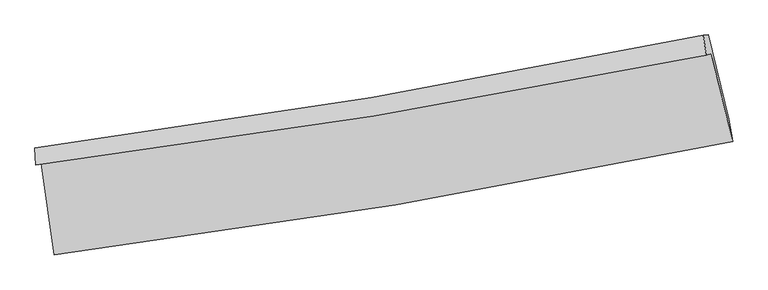
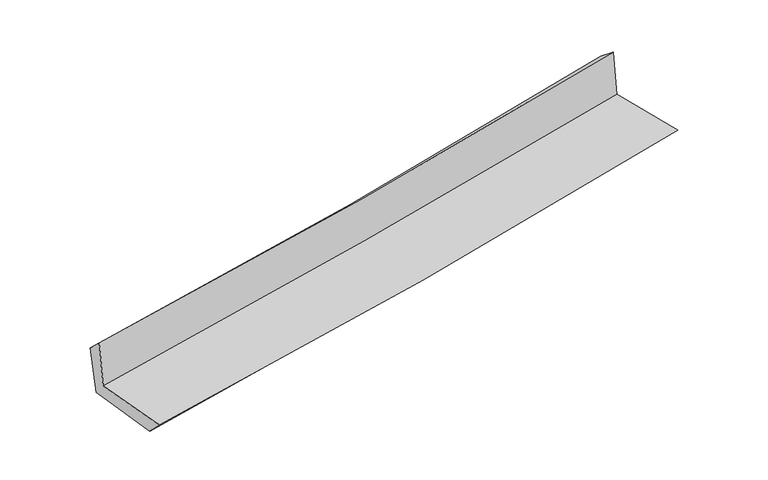
"""IFC4 building model written with IfcOpenShell, lengths in millimetres: proxy geometry."""

from ifc_helpers import new_model, si_unit, frame, origin, place, context, project, spatial, source, transform, mapped, element, save
from ifc_brep_helpers import plane_surface, spline_curve, spline_surface, advanced_brep


def generic_models_509a69a9(model_context):
    return source(origin(), model_context, "Body", "AdvancedBrep", [
        advanced_brep(
        [(-2485.3184845, -1883.8464192, 1653.7055016), (-2388.1109331, -2551.9929109, 1669.5157236), (2570.4088875, -1721.3847073, 2122.156926), (2415.7789753, -1079.3524913, 2114.4022694), (-2523.1682616, -1893.2148337, 2063.8243093), (2378.7630834, -1088.7292192, 2520.6652661), (-2530.4398995, -1769.4346527, 1948.6604393), (2354.8445156, -943.0463108, 2403.4094359), (-2488.481831, -1787.7059926, 1538.2859467), (2393.1972101, -941.5179131, 2002.9644068), (-2394.0655087, -2424.6107867, 1535.0212877), (2542.1718595, -1558.0102272, 2005.2824856)],
        [
            (0, 1),
            (1, 2, spline_curve(3, [(-2388.1109331, -2551.9929109, 1669.5157236), (-1554.218867723, -2447.352115272, 1745.83620287), (-722.55948214, -2325.498438393, 1821.853416037), (930.248027663, -2048.379013761, 1972.729412031), (1751.428582278, -1893.363289384, 2047.592599549), (2570.4088875, -1721.3847073, 2122.156926)], [4, 2, 4], [0.0, 8.263663022873555, 16.467090113521134])),
            (2, 3),
            (3, 0, spline_curve(3, [(2415.7789753, -1079.3524913, 2114.4022694), (1606.247215793, -1244.826933987, 2049.634715394), (794.558467655, -1394.41839446, 1979.021436951), (-839.108892659, -1662.817144027, 1825.542010477), (-1661.119297816, -1781.390325903, 1742.589699618), (-2485.3184845, -1883.8464192, 1653.7055016)], [4, 2, 4], [0.0, 8.20342709064758, 16.467090113521134])),
            (4, 0),
            (3, 5),
            (5, 4, spline_curve(3, [(2378.7630834, -1088.7292192, 2520.6652661), (1570.125169279, -1254.092615173, 2445.433825568), (758.815995789, -1403.627662104, 2369.888437242), (-875.121746238, -1672.0228349, 2217.612745598), (-1697.789687821, -1790.649659797, 2140.877815183), (-2523.1682616, -1893.2148337, 2063.8243093)], [4, 2, 4], [0.0, 8.154736288822683, 16.36935098419258])),
            (6, 4),
            (5, 7),
            (7, 6, spline_curve(3, [(2354.8445156, -943.0463108, 2403.4094359), (1549.64042898, -1110.04292863, 2324.971379002), (741.431563607, -1262.209471553, 2247.989874503), (-886.952286149, -1537.890839851, 2096.385406646), (-1707.171558931, -1661.187077333, 2021.783912624), (-2530.4398995, -1769.4346527, 1948.6604393)], [4, 2, 4], [0.0, 8.144340599488041, 16.34848327229923])),
            (8, 6),
            (7, 9),
            (9, 8, spline_curve(3, [(2393.1972101, -941.5179131, 2002.9644068), (1587.93735916, -1105.245888115, 1919.540422558), (779.998763109, -1257.410060781, 1839.235422344), (-847.188100726, -1539.643198122, 1684.296630385), (-1666.475851742, -1669.541718745, 1609.708810311), (-2488.481831, -1787.7059926, 1538.2859467)], [4, 2, 4], [0.0, 8.133927489456049, 16.327580591094897])),
            (10, 8),
            (9, 11),
            (11, 10, spline_curve(3, [(2542.1718595, -1558.0102272, 2005.2824856), (1727.186432825, -1728.968019242, 1920.852398045), (909.853934825, -1886.448941629, 1839.58067528), (-735.523926556, -2175.514436555, 1682.780389984), (-1563.603884796, -2306.900367557, 1607.298380128), (-2394.0655087, -2424.6107867, 1535.0212877)], [4, 2, 4], [0.0, 8.181424691075183, 16.4229237556723])),
            (1, 10),
            (11, 2),
        ],
        [
            spline_surface(3, 3, [[(-2485.3184845, -1883.8464192, 1653.7055016), (-1661.119297897, -1781.390325857, 1742.589699603), (-839.108892698, -1662.817143919, 1825.542010524), (794.558467693, -1394.418394567, 1979.021436904), (1606.247215779, -1244.826933858, 2049.634715275), (2415.7789753, -1079.3524913, 2114.4022694)], [(-2452.915967378, -2106.561916458, 1658.975575589), (-1625.485821139, -2003.377589015, 1743.671867391), (-800.25908919, -1883.710908757, 1824.312479058), (839.788320973, -1612.405267616, 1976.924095234), (1654.641004627, -1461.005719038, 2048.95401005), (2467.322279378, -1293.363229991, 2116.987154959)], [(-2420.513450222, -2329.277413642, 1664.245649611), (-1589.852344346, -2225.364852097, 1744.754035212), (-761.409285599, -2104.604673598, 1823.082947616), (885.018174334, -1830.392140669, 1974.826753589), (1703.03479344, -1677.184504145, 2048.273304748), (2518.865583422, -1507.373968609, 2119.572040441)], [(-2388.1109331, -2551.9929109, 1669.5157236), (-1554.218867588, -2447.352115255, 1745.836203001), (-722.55948209, -2325.498438436, 1821.85341615), (930.248027614, -2048.379013719, 1972.729411919), (1751.428582288, -1893.363289325, 2047.592599522), (2570.4088875, -1721.3847073, 2122.156926)]], [4, 4], [4, 2, 4], [0.0, 2.1992439196786133], [0.0, 8.263663022873555, 16.467090113521134]),
            spline_surface(3, 3, [[(-2523.1682616, -1893.2148337, 2063.8243093), (-1697.789687754, -1790.649659776, 2140.877815242), (-875.12174625, -1672.022834979, 2217.612745672), (758.815995801, -1403.627662025, 2369.888437169), (1570.125169303, -1254.092615283, 2445.433825687), (2378.7630834, -1088.7292192, 2520.6652661)], [(-2510.55166923, -1890.092028859, 1927.118040061), (-1685.566224465, -1787.563215129, 2008.115110022), (-863.117461728, -1668.954271305, 2086.922500637), (770.730153104, -1400.557906219, 2239.599437095), (1582.165851459, -1251.004054787, 2313.500788872), (2391.101714031, -1085.603643213, 2385.244267189)], [(-2497.93507687, -1886.969224041, 1790.411770839), (-1673.342761186, -1784.476770504, 1875.352404822), (-851.113177221, -1665.885707593, 1956.232255558), (782.644310391, -1397.488150373, 2109.310436977), (1594.206533623, -1247.915494353, 2181.567752091), (2403.440344669, -1082.478067287, 2249.823268311)], [(-2485.3184845, -1883.8464192, 1653.7055016), (-1661.119297897, -1781.390325857, 1742.589699603), (-839.108892698, -1662.817143919, 1825.542010524), (794.558467693, -1394.418394567, 1979.021436904), (1606.247215779, -1244.826933858, 2049.634715275), (2415.7789753, -1079.3524913, 2114.4022694)]], [4, 4], [4, 2, 4], [0.0, 1.2900984764300616], [0.0, 8.214614695369896, 16.36935098419258]),
            spline_surface(3, 3, [[(-2530.4398995, -1769.4346527, 1948.6604393), (-1707.171558888, -1661.187077248, 2021.783912535), (-886.952286028, -1537.890839732, 2096.385406746), (741.431563487, -1262.209471671, 2247.989874403), (1549.640429001, -1110.042928544, 2324.971379092), (2354.8445156, -943.0463108, 2403.4094359)], [(-2528.016020222, -1810.694713029, 1987.048395972), (-1704.044268533, -1704.34127142, 2061.481880109), (-883.008772763, -1582.6015048, 2136.7945197), (747.226374264, -1309.348868442, 2288.622728637), (1556.468675746, -1158.0594908, 2365.125527971), (2362.817371511, -991.607280277, 2442.494712647)], [(-2525.592140878, -1851.954773371, 2025.436352628), (-1700.91697811, -1747.495465605, 2101.179847668), (-879.065259516, -1627.312169911, 2177.203632718), (753.021185024, -1356.488265255, 2329.255582935), (1563.296922558, -1206.076053026, 2405.279676808), (2370.790227489, -1040.168249723, 2481.579989353)], [(-2523.1682616, -1893.2148337, 2063.8243093), (-1697.789687754, -1790.649659776, 2140.877815242), (-875.12174625, -1672.022834979, 2217.612745672), (758.815995801, -1403.627662025, 2369.888437169), (1570.125169303, -1254.092615283, 2445.433825687), (2378.7630834, -1088.7292192, 2520.6652661)]], [4, 4], [4, 2, 4], [0.0, 0.6046396932059648], [0.0, 8.204142672811189, 16.34848327229923]),
            spline_surface(3, 3, [[(-2488.481831, -1787.7059926, 1538.2859467), (-1666.475851756, -1669.541718764, 1609.708810404), (-847.188100685, -1539.643198194, 1684.296630263), (779.998763068, -1257.41006071, 1839.235422465), (1587.937359033, -1105.245888122, 1919.54042264), (2393.1972101, -941.5179131, 2002.9644068)], [(-2502.467853808, -1781.615545965, 1675.077444222), (-1680.041087442, -1666.756838257, 1747.06717777), (-860.442829119, -1539.059078712, 1821.659555771), (767.143029889, -1259.009864369, 1975.486906458), (1575.171715712, -1106.844901604, 2054.684074764), (2380.412978623, -942.027379008, 2136.44608314)], [(-2516.453876692, -1775.525099335, 1811.868941778), (-1693.606323203, -1663.971957755, 1884.425545169), (-873.697557595, -1538.474959214, 1959.022481238), (754.287296667, -1260.609668012, 2111.73839041), (1562.406072321, -1108.443915062, 2189.827726968), (2367.628747077, -942.536844892, 2269.92775956)], [(-2530.4398995, -1769.4346527, 1948.6604393), (-1707.171558888, -1661.187077248, 2021.783912535), (-886.952286028, -1537.890839732, 2096.385406746), (741.431563487, -1262.209471671, 2247.989874403), (1549.640429001, -1110.042928544, 2324.971379092), (2354.8445156, -943.0463108, 2403.4094359)]], [4, 4], [4, 2, 4], [0.0, 1.3526947124852828], [0.0, 8.193653101638848, 16.327580591094897]),
            spline_surface(3, 3, [[(-2394.0655087, -2424.6107867, 1535.0212877), (-1563.603884864, -2306.900367454, 1607.298380196), (-735.523926606, -2175.514436623, 1682.780390009), (909.853934875, -1886.448941561, 1839.580675255), (1727.186432692, -1728.968019199, 1920.85239809), (2542.1718595, -1558.0102272, 2005.2824856)], [(-2425.537616142, -2212.309188665, 1536.109507369), (-1597.894540504, -2094.447484556, 1608.101856935), (-772.745317982, -1963.557357131, 1683.285803424), (866.56887759, -1676.769314595, 1839.465590988), (1680.770074799, -1521.060642154, 1920.41507295), (2492.513643027, -1352.512789147, 2004.509792677)], [(-2457.009723558, -2000.007590635, 1537.197727031), (-1632.185196117, -1881.994601662, 1608.905333665), (-809.966709309, -1751.600277686, 1683.791216849), (823.283820353, -1467.089687676, 1839.350506732), (1634.353716926, -1313.153265167, 1919.97774778), (2442.855426573, -1147.015351153, 2003.737099723)], [(-2488.481831, -1787.7059926, 1538.2859467), (-1666.475851756, -1669.541718764, 1609.708810404), (-847.188100685, -1539.643198194, 1684.296630263), (779.998763068, -1257.41006071, 1839.235422465), (1587.937359033, -1105.245888122, 1919.54042264), (2393.1972101, -941.5179131, 2002.9644068)]], [4, 4], [4, 2, 4], [0.0, 2.1125096107641754], [0.0, 8.241499064597118, 16.4229237556723]),
            spline_surface(3, 3, [[(-2388.1109331, -2551.9929109, 1669.5157236), (-1554.218867588, -2447.352115255, 1745.836203001), (-722.55948209, -2325.498438436, 1821.85341615), (930.248027614, -2048.379013719, 1972.729411919), (1751.428582288, -1893.363289325, 2047.592599522), (2570.4088875, -1721.3847073, 2122.156926)], [(-2390.095791619, -2509.532202823, 1624.684244987), (-1557.347206666, -2400.534865978, 1699.656928753), (-726.880963578, -2275.503771178, 1775.495740775), (923.449996719, -1994.402323012, 1928.346499702), (1743.347865752, -1838.564865946, 2005.3458657), (2560.99654483, -1666.926547263, 2083.198779189)], [(-2392.080650181, -2467.071494777, 1579.852766313), (-1560.475545786, -2353.717616731, 1653.477654444), (-731.202445119, -2225.509103882, 1729.138065385), (916.65196577, -1940.425632268, 1883.963587471), (1735.267149228, -1783.766442578, 1963.099131912), (2551.58420217, -1612.468387237, 2044.240632411)], [(-2394.0655087, -2424.6107867, 1535.0212877), (-1563.603884864, -2306.900367454, 1607.298380196), (-735.523926606, -2175.514436623, 1682.780390009), (909.853934875, -1886.448941561, 1839.580675255), (1727.186432692, -1728.968019199, 1920.85239809), (2542.1718595, -1558.0102272, 2005.2824856)]], [4, 4], [4, 2, 4], [0.0, 0.6812642615589279], [0.0, 8.300932039648481, 16.54135648377078]),
            plane_surface(frame((2442.5274219, -1222.0068115, 2194.813465), z_axis=(0.9676771797723525, 0.2341899088947088, 0.09357329918152006), x_axis=(-0.09533822287467358, -0.003799334704227461, 0.9954376868066149))),
            plane_surface(frame((-2468.2641531, -2051.8009326, 1734.8355347), z_axis=(-0.9848596918568946, -0.14551506939822434, -0.09421651624621283), x_axis=(-0.14393317948415907, 0.9893104761048873, -0.023409863577180612))),
        ],
        [
            (0, [[1, 2, 3, 4]]),
            (1, [[5, -4, 6, 7]]),
            (2, [[8, -7, 9, 10]]),
            (3, [[11, -10, 12, 13]]),
            (4, [[14, -13, 15, 16]]),
            (5, [[17, -16, 18, -2]]),
            (6, [[-12, -9, -6, -3, -18, -15]]),
            (7, [[-1, -5, -8, -11, -14, -17]]),
        ],
    ),
    ])


if __name__ == "__main__":
    model = new_model("IFC4")
    model_context = context("Model", 3, world=origin())
    ifc_project = project(units=[si_unit("LENGTHUNIT", "METRE", prefix="MILLI")], contexts=[model_context])
    site = spatial("IfcSite", under=ifc_project)
    building = spatial("IfcBuilding", under=site)
    placement = place(None, origin())
    generic_models_shape = generic_models_509a69a9(model_context)
    element("IfcBuildingElementProxy", 1, Name="Generic Models", at=placement, inside=building, context=model_context, shape_type="MappedRepresentation", body=[
        mapped(generic_models_shape, transform((0.0, 0.0, 0.0), x_axis=(1.0, 0.0, 0.0), y_axis=(0.0, 1.0, 0.0), z_axis=(0.0, 0.0, 1.0))),
    ])
    save(model, "model.ifc")
